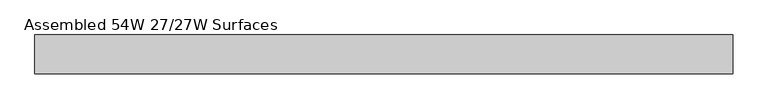
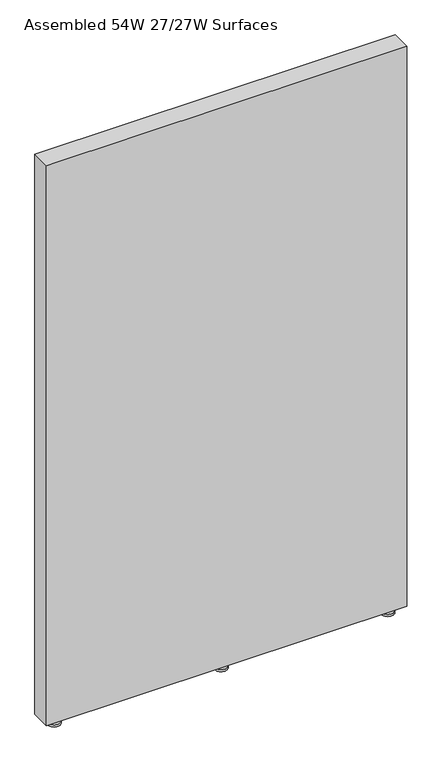
"""IFC4 building model written with IfcOpenShell, lengths in millimetres: furniture geometry, Assembled 54W 27/27W Surfaces."""

from ifc_helpers import new_model, si_unit, frame, origin, place, context, project, spatial, polyline, circle_curve, outline, extrude, source, transform, mapped, element, save
from ifc_brep_helpers import plane_surface, cylinder_surface, advanced_brep


def assembled_54w_27_27w_surfaces_d89d91e7(model_context):
    return source(origin(), model_context, "Body", "SolidModel", [
        advanced_brep(
        [(681.0375136, 50.7999992, 30.1625008), (690.5625, 50.7999992, 30.1625008), (690.5625, 50.7999992, 8.0944096), (681.0375136, 50.7999992, 8.0944096), (685.8000068, 50.7999992, 30.1625008), (661.9875136, 50.7999992, 0.0), (709.6125, 50.7999992, 0.0), (685.8000068, 50.7999992, 0.0), (661.9875136, 50.7999992, 8.0944096), (709.6125, 50.7999992, 8.0944096)],
        [
            (0, 1, circle_curve(frame((685.8000068, 50.7999992, 30.1625008), z_axis=(0.0, 0.0, -1.0), x_axis=(1.0, 0.0, 0.0)), 4.7624932)),
            (1, 2),
            (2, 3, circle_curve(frame((685.8000068, 50.7999992, 8.0944096), z_axis=(0.0, 0.0, 1.0), x_axis=(1.0, 0.0, 0.0)), 4.7624932)),
            (3, 0),
            (1, 0, circle_curve(frame((685.8000068, 50.7999992, 30.1625008), z_axis=(0.0, 0.0, -1.0), x_axis=(1.0, 0.0, 0.0)), 4.7624932)),
            (3, 2, circle_curve(frame((685.8000068, 50.7999992, 8.0944096), z_axis=(0.0, 0.0, 1.0), x_axis=(1.0, 0.0, 0.0)), 4.7624932)),
            (4, 1),
            (0, 4),
            (5, 6, circle_curve(frame((685.8000068, 50.7999992, 0.0), z_axis=(0.0, 0.0, -1.0), x_axis=(1.0, 0.0, 0.0)), 23.8124932)),
            (6, 7),
            (7, 5),
            (6, 5, circle_curve(frame((685.8000068, 50.7999992, 0.0), z_axis=(0.0, 0.0, -1.0), x_axis=(1.0, 0.0, 0.0)), 23.8124932)),
            (8, 9, circle_curve(frame((685.8000068, 50.7999992, 8.0944096), z_axis=(0.0, 0.0, -1.0), x_axis=(1.0, 0.0, 0.0)), 23.8124932)),
            (9, 6),
            (5, 8),
            (9, 8, circle_curve(frame((685.8000068, 50.7999992, 8.0944096), z_axis=(0.0, 0.0, -1.0), x_axis=(1.0, 0.0, 0.0)), 23.8124932)),
            (2, 9),
            (8, 3),
        ],
        [
            cylinder_surface(frame((685.8000068, 50.7999992, 30.1625008), z_axis=(0.0, 0.0, 1.0), x_axis=(1.0, 0.0, 0.0)), 4.7624932),
            plane_surface(frame((685.8000068, 50.7999992, 30.1625008), z_axis=(0.0, 0.0, 1.0), x_axis=(1.0, 0.0, 0.0))),
            plane_surface(frame((685.8000068, 50.7999992, 0.0), z_axis=(0.0, 0.0, -1.0), x_axis=(1.0, 0.0, 0.0))),
            cylinder_surface(frame((685.8000068, 50.7999992, 30.1625008), z_axis=(0.0, 0.0, 1.0), x_axis=(1.0, 0.0, 0.0)), 23.8124932),
            plane_surface(frame((685.8000068, 50.7999992, 8.0944096), z_axis=(0.0, 0.0, 1.0), x_axis=(1.0, 0.0, 0.0))),
        ],
        [
            (0, [[1, 2, 3, 4]]),
            (0, [[5, -4, 6, -2]]),
            (1, [[7, -1, 8]]),
            (1, [[-8, -5, -7]]),
            (2, [[9, 10, 11]]),
            (2, [[12, -11, -10]]),
            (3, [[13, 14, -9, 15]]),
            (3, [[16, -15, -12, -14]]),
            (4, [[-3, 17, -13, 18]]),
            (4, [[-6, -18, -16, -17]]),
        ],
    ),
        advanced_brep(
        [(1297.0500083, 50.7999992, 0.0), (1344.5500159, 50.7999992, 0.0), (1320.8000121, 50.7999992, 0.0), (1297.0500083, 50.7999992, 8.0944096), (1344.5500159, 50.7999992, 8.0944096), (1316.0375121, 50.7999992, 8.0944096), (1325.5625121, 50.7999992, 8.0944096), (1316.0375121, 50.7999992, 30.1625008), (1325.5625121, 50.7999992, 30.1625008), (1320.8000121, 50.7999992, 30.1625008)],
        [
            (0, 1, circle_curve(frame((1320.8000121, 50.7999992, 0.0), z_axis=(0.0, 0.0, -1.0), x_axis=(1.0, 0.0, 0.0)), 23.7500038)),
            (1, 2),
            (2, 0),
            (1, 0, circle_curve(frame((1320.8000121, 50.7999992, 0.0), z_axis=(0.0, 0.0, -1.0), x_axis=(1.0, 0.0, 0.0)), 23.7500038)),
            (3, 4, circle_curve(frame((1320.8000121, 50.7999992, 8.0944096), z_axis=(0.0, 0.0, -1.0), x_axis=(1.0, 0.0, 0.0)), 23.7500038)),
            (4, 1),
            (0, 3),
            (4, 3, circle_curve(frame((1320.8000121, 50.7999992, 8.0944096), z_axis=(0.0, 0.0, -1.0), x_axis=(1.0, 0.0, 0.0)), 23.7500038)),
            (5, 6, circle_curve(frame((1320.8000121, 50.7999992, 8.0944096), z_axis=(0.0, 0.0, -1.0), x_axis=(1.0, 0.0, 0.0)), 4.7625)),
            (6, 4),
            (3, 5),
            (6, 5, circle_curve(frame((1320.8000121, 50.7999992, 8.0944096), z_axis=(0.0, 0.0, -1.0), x_axis=(1.0, 0.0, 0.0)), 4.7625)),
            (7, 8, circle_curve(frame((1320.8000121, 50.7999992, 30.1625008), z_axis=(0.0, 0.0, -1.0), x_axis=(1.0, 0.0, 0.0)), 4.7625)),
            (8, 6),
            (5, 7),
            (8, 7, circle_curve(frame((1320.8000121, 50.7999992, 30.1625008), z_axis=(0.0, 0.0, -1.0), x_axis=(1.0, 0.0, 0.0)), 4.7625)),
            (9, 8),
            (7, 9),
        ],
        [
            plane_surface(frame((1320.8000121, 50.7999992, 0.0), z_axis=(0.0, 0.0, -1.0), x_axis=(1.0, 0.0, 0.0))),
            cylinder_surface(frame((1320.8000121, 50.7999992, 30.1625008), z_axis=(0.0, 0.0, 1.0), x_axis=(1.0, 0.0, 0.0)), 23.7500038),
            plane_surface(frame((1320.8000121, 50.7999992, 8.0944096), z_axis=(0.0, 0.0, 1.0), x_axis=(1.0, 0.0, 0.0))),
            cylinder_surface(frame((1320.8000121, 50.7999992, 30.1625008), z_axis=(0.0, 0.0, 1.0), x_axis=(1.0, 0.0, 0.0)), 4.7625),
            plane_surface(frame((1320.8000121, 50.7999992, 30.1625008), z_axis=(0.0, 0.0, 1.0), x_axis=(1.0, 0.0, 0.0))),
        ],
        [
            (0, [[1, 2, 3]]),
            (0, [[4, -3, -2]]),
            (1, [[5, 6, -1, 7]]),
            (1, [[8, -7, -4, -6]]),
            (2, [[9, 10, -5, 11]]),
            (2, [[12, -11, -8, -10]]),
            (3, [[13, 14, -9, 15]]),
            (3, [[16, -15, -12, -14]]),
            (4, [[17, -13, 18]]),
            (4, [[-18, -16, -17]]),
        ],
    ),
        advanced_brep(
        [(46.0375015, 50.7999992, 30.1625008), (55.5625015, 50.7999992, 30.1625008), (55.5625015, 50.7999992, 8.0944096), (46.0375015, 50.7999992, 8.0944096), (50.8000015, 50.7999992, 30.1625008), (26.9875015, 50.7999992, 0.0), (74.6125015, 50.7999992, 0.0), (50.8000015, 50.7999992, 0.0), (26.9875015, 50.7999992, 8.0944096), (74.6125015, 50.7999992, 8.0944096)],
        [
            (0, 1, circle_curve(frame((50.8000015, 50.7999992, 30.1625008), z_axis=(0.0, 0.0, -1.0), x_axis=(1.0, 0.0, 0.0)), 4.7625)),
            (1, 2),
            (2, 3, circle_curve(frame((50.8000015, 50.7999992, 8.0944096), z_axis=(0.0, 0.0, 1.0), x_axis=(1.0, 0.0, 0.0)), 4.7625)),
            (3, 0),
            (1, 0, circle_curve(frame((50.8000015, 50.7999992, 30.1625008), z_axis=(0.0, 0.0, -1.0), x_axis=(1.0, 0.0, 0.0)), 4.7625)),
            (3, 2, circle_curve(frame((50.8000015, 50.7999992, 8.0944096), z_axis=(0.0, 0.0, 1.0), x_axis=(1.0, 0.0, 0.0)), 4.7625)),
            (4, 1),
            (0, 4),
            (5, 6, circle_curve(frame((50.8000015, 50.7999992, 0.0), z_axis=(0.0, 0.0, -1.0), x_axis=(1.0, 0.0, 0.0)), 23.8125)),
            (6, 7),
            (7, 5),
            (6, 5, circle_curve(frame((50.8000015, 50.7999992, 0.0), z_axis=(0.0, 0.0, -1.0), x_axis=(1.0, 0.0, 0.0)), 23.8125)),
            (8, 9, circle_curve(frame((50.8000015, 50.7999992, 8.0944096), z_axis=(0.0, 0.0, -1.0), x_axis=(1.0, 0.0, 0.0)), 23.8125)),
            (9, 6),
            (5, 8),
            (9, 8, circle_curve(frame((50.8000015, 50.7999992, 8.0944096), z_axis=(0.0, 0.0, -1.0), x_axis=(1.0, 0.0, 0.0)), 23.8125)),
            (2, 9),
            (8, 3),
        ],
        [
            cylinder_surface(frame((50.8000015, 50.7999992, 30.1625008), z_axis=(0.0, 0.0, 1.0), x_axis=(1.0, 0.0, 0.0)), 4.7625),
            plane_surface(frame((50.8000015, 50.7999992, 30.1625008), z_axis=(0.0, 0.0, 1.0), x_axis=(1.0, 0.0, 0.0))),
            plane_surface(frame((50.8000015, 50.7999992, 0.0), z_axis=(0.0, 0.0, -1.0), x_axis=(1.0, 0.0, 0.0))),
            cylinder_surface(frame((50.8000015, 50.7999992, 30.1625008), z_axis=(0.0, 0.0, 1.0), x_axis=(1.0, 0.0, 0.0)), 23.8125),
            plane_surface(frame((50.8000015, 50.7999992, 8.0944096), z_axis=(0.0, 0.0, 1.0), x_axis=(1.0, 0.0, 0.0))),
        ],
        [
            (0, [[1, 2, 3, 4]]),
            (0, [[5, -4, 6, -2]]),
            (1, [[7, -1, 8]]),
            (1, [[-8, -5, -7]]),
            (2, [[9, 10, 11]]),
            (2, [[12, -11, -10]]),
            (3, [[13, 14, -9, 15]]),
            (3, [[16, -15, -12, -14]]),
            (4, [[-3, 17, -13, 18]]),
            (4, [[-6, -18, -16, -17]]),
        ],
    ),
        extrude(outline(polyline([(0.0, 12.7000004), (0.0, 88.899997), (1371.6, 88.899997), (1371.6, 12.7000004), (0.0, 12.7000004)])), frame((0.0, 0.0, 30.1625008), z_axis=(0.0, 0.0, 1.0), x_axis=(1.0, 0.0, 0.0)), (0.0, 0.0, 1.0), 2252.6625477),
    ])


if __name__ == "__main__":
    model = new_model("IFC4")
    model_context = context("Model", 3, world=origin())
    ifc_project = project(units=[si_unit("LENGTHUNIT", "METRE", prefix="MILLI")], contexts=[model_context])
    site = spatial("IfcSite", under=ifc_project)
    building = spatial("IfcBuilding", under=site)
    placement = place(None, origin())
    assembled_54w_27_27w_surfaces_shape = assembled_54w_27_27w_surfaces_d89d91e7(model_context)
    element("IfcFurniture", 1, ObjectType="Assembled 54W 27/27W Surfaces", at=placement, inside=building, context=model_context, shape_type="MappedRepresentation", body=[
        mapped(assembled_54w_27_27w_surfaces_shape, transform((0.0, 0.0, 0.0), x_axis=(1.0, 0.0, 0.0), y_axis=(0.0, 1.0, 0.0), z_axis=(0.0, 0.0, 1.0))),
    ])
    save(model, "model.ifc")
